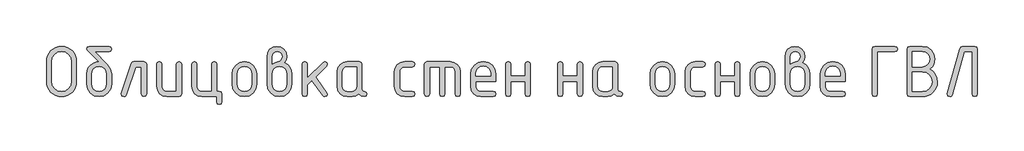
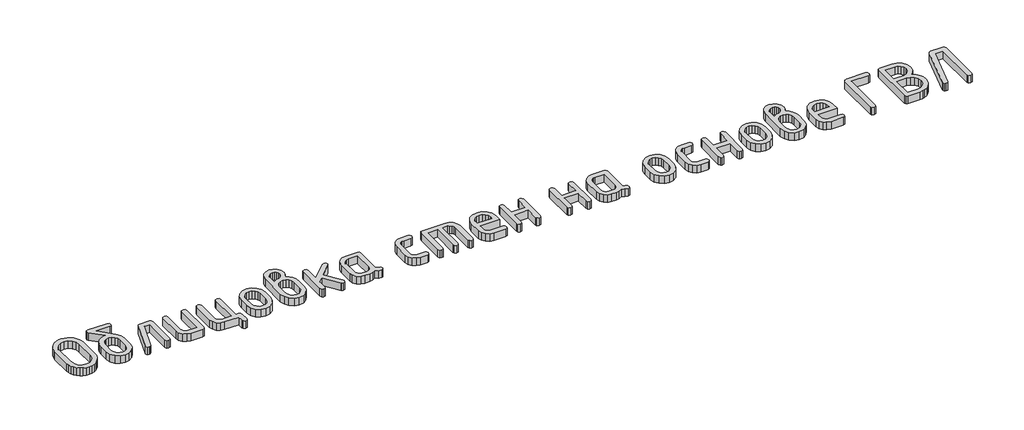
# One storey, part 13 of 33: 1 proxy.
"""IFC4 building model written with IfcOpenShell, lengths in millimetres."""

from ifc_helpers import new_model, si_unit, origin, origin_with_axes, place, context, project, spatial, polyline, outline, extrude, element, save

model = new_model("IFC4")

# Units and contexts
model_context = context("Model", 3, world=origin())
ifc_project = project(units=[si_unit("LENGTHUNIT", "METRE", prefix="MILLI")], contexts=[model_context])

# Site, building, storey
site = spatial("IfcSite", under=ifc_project)
building = spatial("IfcBuilding", under=site)
storey = spatial("IfcBuildingStorey", under=building, Elevation=0.0)

# Proxy
placement = place(None, origin())
element("IfcBuildingElementProxy", 1, Name="Generic Models", at=placement, inside=storey, context=model_context, shape_type="SweptSolid", body=[
    extrude(outline(polyline([(500.788327, -103.7640152), (499.1339311, -121.9976767), (494.1707436, -138.8493124), (485.8987644, -154.3189223), (474.3179935, -168.4065064), (460.3968578, -180.1285062), (445.103784, -188.5013632), (428.4387722, -193.5250774), (410.4018225, -195.1996488), (392.3648727, -193.5250774), (375.6998609, -188.5013632), (360.4067871, -180.1285062), (346.4856514, -168.4065064), (334.9048805, -154.3189223), (326.6329013, -138.8493124), (321.6697138, -121.9976767), (320.0153179, -103.7640152), (320.0153179, 18.0963614), (321.6697138, 36.3300229), (326.6329013, 53.1816586), (334.9048805, 68.6512685), (346.4856514, 82.7388526), (360.4067871, 94.4608524), (375.6998609, 102.8337094), (392.3648727, 107.8574236), (410.4018225, 109.531995), (428.5371281, 107.8649895), (445.2551007, 102.8639728), (460.5557403, 94.528945), (474.4390469, 82.859906), (485.9668569, 68.8101511), (494.201007, 53.3329753), (499.141497, 36.4283788), (500.788327, 18.0963614), (500.788327, -103.7640152)]), holes=[polyline([(469.7986683, -103.5219085), (469.7986683, 17.8542547), (465.4911864, 41.3789566), (452.5687409, 60.9492489), (433.4120475, 74.1440645), (410.4018225, 78.5423363), (387.3915974, 74.1440645), (368.234904, 60.9492489), (355.3124585, 41.3789566), (351.0049766, 17.8542547), (351.0049766, -103.5219085), (355.3124585, -127.0466104), (368.234904, -146.6169026), (387.3915974, -159.8117183), (410.4018225, -164.2099901), (433.4120475, -159.8117183), (452.5687409, -146.6169026), (465.4911864, -127.0466104), (469.7986683, -103.5219085)])]), origin_with_axes(), (0.0, 0.0, 1.0), 50.0),
    extrude(outline(polyline([(712.5509948, -58.3286562), (712.5509948, -119.1781423), (707.0733305, -148.4024396), (690.6403376, -172.9661828), (666.4397546, -189.6412823), (637.6593196, -195.1996488), (608.8788846, -189.6311945), (584.6783015, -172.9258316), (568.2453087, -148.3116496), (562.7676444, -119.0167379), (562.7676444, -58.0865495), (565.3602037, -36.6550619), (573.1378817, -18.2801715), (586.1006784, -2.9618783), (604.2485938, 9.2998177), (619.9653543, 15.8972255), (634.5119324, 18.0963614), (567.9325875, 85.0792175), (562.7676444, 94.0371657), (566.5001228, 105.6582877), (577.6975581, 109.531995), (697.6210811, 109.531995), (708.8185163, 105.6582877), (712.5509948, 94.0371657), (708.8185163, 82.4160437), (697.6210811, 78.5423363), (612.6416264, 78.5423363), (688.017515, -1.8370909), (706.4176248, -29.1144467), (712.5509948, -58.3286562)]), holes=[polyline([(681.5613361, -118.6939289), (681.5613361, -58.0865495), (678.3433344, -40.6548665), (668.6893294, -25.9670595), (654.4958236, -15.9801578), (637.6593196, -12.6511906), (620.8228156, -15.9801578), (606.6293098, -25.9670595), (596.9753048, -40.6548665), (593.7573031, -58.0865495), (593.7573031, -118.6939289), (596.9450414, -136.2870164), (606.5082564, -150.9748234), (620.6714989, -160.9011984), (637.6593196, -164.2099901), (654.4958236, -160.8810229), (668.6893294, -150.8941212), (678.3433344, -136.1861386), (681.5613361, -118.6939289)])]), origin_with_axes(), (0.0, 0.0, 1.0), 50.0),
    extrude(outline(polyline([(847.8886449, 16.563019), (908.8188332, 16.563019), (920.4399552, 12.7901894), (924.3136625, 1.4717008), (924.3136625, -180.1083307), (920.4399552, -191.4268193), (908.8188332, -195.1996488), (897.1977112, -191.4268193), (893.3240038, -180.1083307), (893.3240038, -14.4266397), (858.7027445, -14.4266397), (801.5655613, -184.9504648), (796.2593893, -192.6373528), (787.2812655, -195.1996488), (775.9022502, -191.3662926), (772.1092451, -179.8662239), (772.8355652, -175.2661965), (832.7166245, 4.2155768), (838.6078877, 13.4761584), (847.8886449, 16.563019)])), origin_with_axes(), (0.0, 0.0, 1.0), 50.0),
    extrude(outline(polyline([(1136.0763303, 1.4717008), (1136.0763303, -180.1083307), (1132.3236763, -191.4268193), (1121.0657144, -195.1996488), (1046.1740392, -195.1996488), (1022.9519707, -190.8215525), (1003.6439607, -177.6872636), (990.6307251, -158.177498), (986.2929799, -134.6729717), (986.2929799, 1.4717008), (990.1666873, 12.7901894), (1001.7878093, 16.563019), (1013.4089313, 12.7901894), (1017.2826386, 1.4717008), (1017.2826386, -134.108056), (1019.4414235, -145.5375102), (1025.9177779, -155.292393), (1035.4002907, -161.9805909), (1046.5775504, -164.2099901), (1105.0866716, -164.2099901), (1105.0866716, 1.4717008), (1108.960379, 12.7901894), (1120.581501, 16.563019), (1132.202623, 12.7901894), (1136.0763303, 1.4717008)])), origin_with_axes(), (0.0, 0.0, 1.0), 50.0),
    extrude(outline(polyline([(1363.3338274, -164.2099901), (1374.9549495, -168.0836975), (1378.8286568, -179.7048195), (1378.8286568, -226.1893075), (1374.9549495, -237.8104295), (1363.3338274, -241.6841369), (1351.7127054, -237.8104295), (1347.8389981, -226.1893075), (1347.8389981, -195.1996488), (1257.936707, -195.1996488), (1234.7146385, -190.7912892), (1215.4066285, -177.5662102), (1202.3933929, -158.0261813), (1198.0556477, -134.6729717), (1198.0556477, 1.4717008), (1201.9293551, 12.7901894), (1213.5504771, 16.563019), (1225.1715991, 12.7901894), (1229.0453064, 1.4717008), (1229.0453064, -134.108056), (1231.2040912, -145.5375102), (1237.6804457, -155.292393), (1247.1629584, -161.9805909), (1258.3402182, -164.2099901), (1316.8493394, -164.2099901), (1316.8493394, 1.4717008), (1320.7230467, 12.7901894), (1332.3441687, 16.563019), (1343.9652908, 12.7901894), (1347.8389981, 1.4717008), (1347.8389981, -164.2099901), (1363.3338274, -164.2099901)])), origin_with_axes(), (0.0, 0.0, 1.0), 50.0),
    extrude(outline(polyline([(1440.8079742, -119.5816535), (1440.8079742, -59.0549764), (1446.2856385, -29.9819958), (1462.7186313, -5.5493938), (1486.9192144, 11.0349158), (1515.6996494, 16.563019), (1544.7827178, 11.0954424), (1568.9227742, -5.3072871), (1585.174187, -29.6793624), (1590.5913246, -59.0549764), (1590.5913246, -119.5816535), (1585.1136603, -148.6546341), (1568.6806674, -173.0872361), (1544.4800844, -189.6715456), (1515.6996494, -195.1996488), (1486.9192144, -189.6715456), (1462.7186313, -173.0872361), (1446.2856385, -148.6546341), (1440.8079742, -119.5816535)]), holes=[polyline([(1559.6016659, -118.6939289), (1559.6016659, -58.0865495), (1556.3836642, -40.6548665), (1546.7296592, -25.9670595), (1532.5361534, -15.9801578), (1515.6996494, -12.6511906), (1498.8631454, -15.9801578), (1484.6696396, -25.9670595), (1475.0156346, -40.6548665), (1471.7976329, -58.0865495), (1471.7976329, -118.6939289), (1474.9853712, -136.2870164), (1484.5485862, -150.9748234), (1498.7118287, -160.9011984), (1515.6996494, -164.2099901), (1532.5361534, -160.8810229), (1546.7296592, -150.8941212), (1556.3836642, -136.1861386), (1559.6016659, -118.6939289)])]), origin_with_axes(), (0.0, 0.0, 1.0), 50.0),
    extrude(outline(polyline([(1757.4028468, 11.8822893), (1775.9340978, 0.4931862), (1790.2083058, -16.0810356), (1799.3175707, -36.1658046), (1802.3539923, -58.0865495), (1802.3539923, -119.0167379), (1796.8763281, -148.4629663), (1780.4433352, -173.046885), (1756.2427521, -189.6614579), (1727.4623172, -195.1996488), (1698.5305655, -189.6311945), (1674.3602457, -172.9258316), (1658.0180429, -148.3116496), (1652.570642, -119.0167379), (1652.570642, 48.6018067), (1656.8982994, 72.2072108), (1669.8812716, 91.8582053), (1689.0581405, 105.1135476), (1711.9674878, 109.531995), (1734.9777129, 105.0832843), (1754.1344062, 91.737152), (1767.0568518, 72.0558941), (1771.3643337, 48.6018067), (1767.8739619, 27.8815076), (1757.4028468, 11.8822893)]), holes=[polyline([(1771.3643337, -118.6939289), (1771.3643337, -58.0865495), (1768.1765953, -40.6548665), (1758.6133803, -25.9670595), (1744.4501379, -15.9801578), (1727.4623172, -12.6511906), (1710.4744964, -15.9801578), (1696.311254, -25.9670595), (1686.748039, -40.6548665), (1683.5603007, -58.0865495), (1683.5603007, -118.6939289), (1686.748039, -136.2870164), (1696.311254, -150.9748234), (1710.4744964, -160.9011984), (1727.4623172, -164.2099901), (1744.4501379, -160.8810229), (1758.6133803, -150.8941212), (1768.1765953, -136.1861386), (1771.3643337, -118.6939289)]), polyline([(1683.5603007, 1.7945097), (1702.0411128, 13.1129984), (1718.9078801, 16.8858279), (1727.9868817, 19.5288261), (1736.3395631, 27.4578208), (1742.2106508, 37.3236692), (1744.1676801, 47.2298687), (1741.9887197, 59.0325707), (1735.4518385, 68.7773658), (1725.686868, 75.3142469), (1713.8236392, 77.4932073), (1702.1722539, 75.2839836), (1692.3971955, 68.6563124), (1685.7695244, 58.8812541), (1683.5603007, 47.2298687), (1683.5603007, 1.7945097)])]), origin_with_axes(), (0.0, 0.0, 1.0), 50.0),
    extrude(outline(polyline([(1895.3229684, -82.862136), (1990.5516072, 12.2050982), (2001.3657068, 16.563019), (2012.7447221, 12.7901894), (2016.5377272, 1.4717008), (2011.9376997, -9.1002922), (1945.3583549, -75.5989348), (2013.5517445, -171.3924891), (2016.5377272, -180.2697351), (2012.7447221, -191.4671704), (2001.3657068, -195.1996488), (1994.2235589, -193.5856041), (1988.776158, -188.7434699), (1923.5687511, -97.1464318), (1895.3229684, -125.3922145), (1895.3229684, -180.0276284), (1891.4492611, -191.4066437), (1879.8281391, -195.1996488), (1868.2070171, -191.4268193), (1864.3333097, -180.1083307), (1864.3333097, 1.4717008), (1868.2070171, 12.7901894), (1879.8281391, 16.563019), (1891.4492611, 12.7901894), (1895.3229684, 1.4717008), (1895.3229684, -82.862136)])), origin_with_axes(), (0.0, 0.0, 1.0), 50.0),
    extrude(outline(polyline([(2256.1426665, -180.1083307), (2252.3698369, -191.4268193), (2241.0513483, -195.1996488), (2221.9047428, -191.1847126), (2206.5914935, -179.1399038), (2188.171208, -191.1847126), (2165.9982686, -195.1996488), (2135.9770368, -195.1996488), (2112.7549683, -190.8215525), (2093.4469583, -177.6872636), (2080.4337227, -158.177498), (2076.0959775, -134.6729717), (2076.0959775, -43.9636582), (2080.4337227, -20.4591319), (2093.4469583, -0.9493663), (2112.7549683, 12.1849226), (2135.9770368, 16.563019), (2210.868712, 16.563019), (2222.1266739, 12.7901894), (2225.8793279, 1.4717008), (2225.8793279, -149.8449921), (2229.6622452, -161.1634807), (2241.0109972, -164.9363103), (2252.3597492, -168.7293154), (2256.1426665, -180.1083307)]), holes=[polyline([(2194.8896692, -14.4266397), (2136.380548, -14.4266397), (2125.1024105, -16.6156879), (2115.6400733, -23.1828324), (2109.2242455, -32.8570129), (2107.0856362, -44.3671694), (2107.0856362, -134.2694605), (2109.244421, -145.6787391), (2115.7207755, -155.3730953), (2125.2032882, -162.0007664), (2136.380548, -164.2099901), (2165.5947575, -164.2099901), (2176.872895, -162.020942), (2186.3352322, -155.4537975), (2192.7510599, -145.7796169), (2194.8896692, -134.2694605), (2194.8896692, -14.4266397)])]), origin_with_axes(), (0.0, 0.0, 1.0), 50.0),
    extrude(outline(polyline([(2453.136825, -44.3671694), (2453.136825, -134.2694605), (2455.3763121, -145.6787391), (2462.0947732, -155.3730953), (2471.9000949, -162.0007664), (2483.4001636, -164.2099901), (2528.9162248, -164.2099901), (2540.2347134, -168.0836975), (2544.007543, -179.7048195), (2540.2347134, -191.3259415), (2528.9162248, -195.1996488), (2483.4001636, -195.1996488), (2459.8552862, -190.8215525), (2440.0630628, -177.6872636), (2426.6261404, -158.177498), (2422.1471663, -134.6729717), (2422.1471663, -43.9636582), (2426.6261404, -20.4591319), (2440.0630628, -0.9493663), (2459.8552862, 12.1849226), (2483.4001636, 16.563019), (2528.9162248, 16.563019), (2540.2347134, 12.6893116), (2544.007543, 1.0681896), (2540.2347134, -10.5529324), (2528.9162248, -14.4266397), (2483.4001636, -14.4266397), (2471.7487783, -16.6156879), (2461.9737199, -23.1828324), (2455.3460487, -32.8570129), (2453.136825, -44.3671694)])), origin_with_axes(), (0.0, 0.0, 1.0), 50.0),
    extrude(outline(polyline([(2618.4150048, 16.563019), (2757.8684689, 16.563019), (2781.7563308, 12.1546593), (2801.7704854, -1.0704197), (2815.3284611, -20.6104486), (2819.8477863, -43.9636582), (2819.8477863, -180.1083307), (2815.974079, -191.4268193), (2804.352957, -195.1996488), (2792.7318349, -191.4268193), (2788.8581276, -180.1083307), (2788.8581276, -44.5285738), (2786.6287283, -32.7964863), (2779.9405305, -23.1021301), (2769.9637166, -16.5955123), (2757.8684689, -14.4266397), (2726.8788102, -14.4266397), (2726.8788102, -180.1083307), (2723.0051029, -191.4268193), (2711.3839809, -195.1996488), (2699.7628588, -191.4268193), (2695.8891515, -180.1083307), (2695.8891515, -14.4266397), (2633.9098341, -14.4266397), (2633.9098341, -180.1083307), (2630.0361268, -191.4268193), (2618.4150048, -195.1996488), (2606.7938827, -191.4268193), (2602.9201754, -180.1083307), (2602.9201754, 1.4717008), (2606.7938827, 12.7901894), (2618.4150048, 16.563019)])), origin_with_axes(), (0.0, 0.0, 1.0), 50.0),
    extrude(outline(polyline([(2912.8167624, -102.2306727), (2912.8167624, -133.2203314), (2915.0562495, -145.0129457), (2921.7747106, -155.0502863), (2931.5800323, -161.9200642), (2943.080101, -164.2099901), (3018.8595008, -164.2099901), (3030.2385161, -168.0836975), (3034.0315212, -179.7048195), (3030.2385161, -191.3259415), (3018.8595008, -195.1996488), (2943.080101, -195.1996488), (2919.5352236, -190.8215525), (2899.7430001, -177.6872636), (2886.3060778, -158.177498), (2881.8271037, -134.6729717), (2881.8271037, -59.0549764), (2887.4459969, -29.9819958), (2904.3026765, -5.5493938), (2929.0278241, 11.0349158), (2958.2521214, 16.563019), (2987.6983498, 11.1963202), (3012.120864, -4.9037759), (3028.5538569, -28.8319889), (3034.0315212, -57.6830383), (3034.0315212, -102.2306727), (2912.8167624, -102.2306727)]), holes=[polyline([(2958.2521214, -10.6336346), (2940.8204384, -13.9626019), (2926.1326314, -23.9495036), (2916.1457296, -38.6373106), (2912.8167624, -56.0689936), (2912.8167624, -71.241014), (3003.6874804, -71.241014), (3003.6874804, -56.0689936), (3000.3585131, -38.6373106), (2990.3716114, -23.9495036), (2975.6838044, -13.9626019), (2958.2521214, -10.6336346)])]), origin_with_axes(), (0.0, 0.0, 1.0), 50.0),
    extrude(outline(polyline([(3124.5794302, -102.2306727), (3124.5794302, -179.7048195), (3120.7057228, -191.3259415), (3109.0846008, -195.1996488), (3097.4634788, -191.4268193), (3093.5897715, -180.1083307), (3093.5897715, 1.4717008), (3097.4634788, 12.7901894), (3109.0846008, 16.563019), (3120.7057228, 12.9112428), (3124.5794302, 1.9559142), (3124.5794302, -71.241014), (3212.3834632, -71.241014), (3212.3834632, 1.9559142), (3216.2571705, 12.9112428), (3227.8782925, 16.563019), (3239.4994145, 12.7901894), (3243.3731219, 1.4717008), (3243.3731219, -180.1083307), (3239.4994145, -191.4268193), (3227.8782925, -195.1996488), (3216.2571705, -191.3259415), (3212.3834632, -179.7048195), (3212.3834632, -102.2306727), (3124.5794302, -102.2306727)])), origin_with_axes(), (0.0, 0.0, 1.0), 50.0),
    extrude(outline(polyline([(3439.6409603, -102.2306727), (3439.6409603, -179.7048195), (3435.7672529, -191.3259415), (3424.1461309, -195.1996488), (3412.5250089, -191.4268193), (3408.6513016, -180.1083307), (3408.6513016, 1.4717008), (3412.5250089, 12.7901894), (3424.1461309, 16.563019), (3435.7672529, 12.9112428), (3439.6409603, 1.9559142), (3439.6409603, -71.241014), (3527.4449933, -71.241014), (3527.4449933, 1.9559142), (3531.3187006, 12.9112428), (3542.9398226, 16.563019), (3554.5609446, 12.7901894), (3558.434652, 1.4717008), (3558.434652, -180.1083307), (3554.5609446, -191.4268193), (3542.9398226, -195.1996488), (3531.3187006, -191.3259415), (3527.4449933, -179.7048195), (3527.4449933, -102.2306727), (3439.6409603, -102.2306727)])), origin_with_axes(), (0.0, 0.0, 1.0), 50.0),
    extrude(outline(polyline([(3800.4606583, -180.1083307), (3796.6878288, -191.4268193), (3785.3693401, -195.1996488), (3766.2227346, -191.1847126), (3750.9094853, -179.1399038), (3732.4891999, -191.1847126), (3710.3162605, -195.1996488), (3680.2950286, -195.1996488), (3657.0729601, -190.8215525), (3637.7649501, -177.6872636), (3624.7517146, -158.177498), (3620.4139694, -134.6729717), (3620.4139694, -43.9636582), (3624.7517146, -20.4591319), (3637.7649501, -0.9493663), (3657.0729601, 12.1849226), (3680.2950286, 16.563019), (3755.1867038, 16.563019), (3766.4446658, 12.7901894), (3770.1973197, 1.4717008), (3770.1973197, -149.8449921), (3773.9802371, -161.1634807), (3785.328989, -164.9363103), (3796.677741, -168.7293154), (3800.4606583, -180.1083307)]), holes=[polyline([(3739.207661, -14.4266397), (3680.6985398, -14.4266397), (3669.4204023, -16.6156879), (3659.9580651, -23.1828324), (3653.5422373, -32.8570129), (3651.4036281, -44.3671694), (3651.4036281, -134.2694605), (3653.5624129, -145.6787391), (3660.0387673, -155.3730953), (3669.5212801, -162.0007664), (3680.6985398, -164.2099901), (3709.9127493, -164.2099901), (3721.1908868, -162.020942), (3730.653224, -155.4537975), (3737.0690518, -145.7796169), (3739.207661, -134.2694605), (3739.207661, -14.4266397)])]), origin_with_axes(), (0.0, 0.0, 1.0), 50.0),
    extrude(outline(polyline([(3966.4651582, -119.5816535), (3966.4651582, -59.0549764), (3971.9428224, -29.9819958), (3988.3758153, -5.5493938), (4012.5763984, 11.0349158), (4041.3568334, 16.563019), (4070.4399017, 11.0954424), (4094.5799581, -5.3072871), (4110.8313709, -29.6793624), (4116.2485085, -59.0549764), (4116.2485085, -119.5816535), (4110.7708443, -148.6546341), (4094.3378514, -173.0872361), (4070.1372683, -189.6715456), (4041.3568334, -195.1996488), (4012.5763984, -189.6715456), (3988.3758153, -173.0872361), (3971.9428224, -148.6546341), (3966.4651582, -119.5816535)]), holes=[polyline([(4085.2588498, -118.6939289), (4085.2588498, -58.0865495), (4082.0408482, -40.6548665), (4072.3868432, -25.9670595), (4058.1933374, -15.9801578), (4041.3568334, -12.6511906), (4024.5203293, -15.9801578), (4010.3268235, -25.9670595), (4000.6728185, -40.6548665), (3997.4548169, -58.0865495), (3997.4548169, -118.6939289), (4000.6425552, -136.2870164), (4010.2057702, -150.9748234), (4024.3690126, -160.9011984), (4041.3568334, -164.2099901), (4058.1933374, -160.8810229), (4072.3868432, -150.8941212), (4082.0408482, -136.1861386), (4085.2588498, -118.6939289)])]), origin_with_axes(), (0.0, 0.0, 1.0), 50.0),
    extrude(outline(polyline([(4209.2174846, -44.3671694), (4209.2174846, -134.2694605), (4211.4569717, -145.6787391), (4218.1754329, -155.3730953), (4227.9807546, -162.0007664), (4239.4808232, -164.2099901), (4284.9968844, -164.2099901), (4296.3153731, -168.0836975), (4300.0882026, -179.7048195), (4296.3153731, -191.3259415), (4284.9968844, -195.1996488), (4239.4808232, -195.1996488), (4215.9359458, -190.8215525), (4196.1437224, -177.6872636), (4182.7068, -158.177498), (4178.2278259, -134.6729717), (4178.2278259, -43.9636582), (4182.7068, -20.4591319), (4196.1437224, -0.9493663), (4215.9359458, 12.1849226), (4239.4808232, 16.563019), (4284.9968844, 16.563019), (4296.3153731, 12.6893116), (4300.0882026, 1.0681896), (4296.3153731, -10.5529324), (4284.9968844, -14.4266397), (4239.4808232, -14.4266397), (4227.8294379, -16.6156879), (4218.0543795, -23.1828324), (4211.4267084, -32.8570129), (4209.2174846, -44.3671694)])), origin_with_axes(), (0.0, 0.0, 1.0), 50.0),
    extrude(outline(polyline([(4389.9904937, -102.2306727), (4389.9904937, -179.7048195), (4386.1167864, -191.3259415), (4374.4956644, -195.1996488), (4362.8745424, -191.4268193), (4359.000835, -180.1083307), (4359.000835, 1.4717008), (4362.8745424, 12.7901894), (4374.4956644, 16.563019), (4386.1167864, 12.9112428), (4389.9904937, 1.9559142), (4389.9904937, -71.241014), (4477.7945267, -71.241014), (4477.7945267, 1.9559142), (4481.668234, 12.9112428), (4493.289356, 16.563019), (4504.9104781, 12.7901894), (4508.7841854, 1.4717008), (4508.7841854, -180.1083307), (4504.9104781, -191.4268193), (4493.289356, -195.1996488), (4481.668234, -191.3259415), (4477.7945267, -179.7048195), (4477.7945267, -102.2306727), (4389.9904937, -102.2306727)])), origin_with_axes(), (0.0, 0.0, 1.0), 50.0),
    extrude(outline(polyline([(4570.7635028, -119.5816535), (4570.7635028, -59.0549764), (4576.2411671, -29.9819958), (4592.6741599, -5.5493938), (4616.874743, 11.0349158), (4645.655178, 16.563019), (4674.7382464, 11.0954424), (4698.8783028, -5.3072871), (4715.1297156, -29.6793624), (4720.5468532, -59.0549764), (4720.5468532, -119.5816535), (4715.0691889, -148.6546341), (4698.636196, -173.0872361), (4674.435613, -189.6715456), (4645.655178, -195.1996488), (4616.874743, -189.6715456), (4592.6741599, -173.0872361), (4576.2411671, -148.6546341), (4570.7635028, -119.5816535)]), holes=[polyline([(4689.5571945, -118.6939289), (4689.5571945, -58.0865495), (4686.3391928, -40.6548665), (4676.6851878, -25.9670595), (4662.491682, -15.9801578), (4645.655178, -12.6511906), (4628.818674, -15.9801578), (4614.6251682, -25.9670595), (4604.9711632, -40.6548665), (4601.7531615, -58.0865495), (4601.7531615, -118.6939289), (4604.9408998, -136.2870164), (4614.5041148, -150.9748234), (4628.6673573, -160.9011984), (4645.655178, -164.2099901), (4662.491682, -160.8810229), (4676.6851878, -150.8941212), (4686.3391928, -136.1861386), (4689.5571945, -118.6939289)])]), origin_with_axes(), (0.0, 0.0, 1.0), 50.0),
    extrude(outline(polyline([(4887.3583754, 11.8822893), (4905.8896264, 0.4931862), (4920.1638344, -16.0810356), (4929.2730993, -36.1658046), (4932.3095209, -58.0865495), (4932.3095209, -119.0167379), (4926.8318567, -148.4629663), (4910.3988638, -173.046885), (4886.1982807, -189.6614579), (4857.4178458, -195.1996488), (4828.4860941, -189.6311945), (4804.3157743, -172.9258316), (4787.9735715, -148.3116496), (4782.5261706, -119.0167379), (4782.5261706, 48.6018067), (4786.853828, 72.2072108), (4799.8368002, 91.8582053), (4819.0136691, 105.1135476), (4841.9230164, 109.531995), (4864.9332415, 105.0832843), (4884.0899348, 91.737152), (4897.0123804, 72.0558941), (4901.3198623, 48.6018067), (4897.8294905, 27.8815076), (4887.3583754, 11.8822893)]), holes=[polyline([(4813.5158293, 1.7945097), (4831.9966414, 13.1129984), (4848.8634087, 16.8858279), (4857.9424103, 19.5288261), (4866.2950917, 27.4578208), (4872.1661794, 37.3236692), (4874.1232087, 47.2298687), (4871.9442483, 59.0325707), (4865.4073671, 68.7773658), (4855.6423966, 75.3142469), (4843.7791678, 77.4932073), (4832.1277825, 75.2839836), (4822.3527241, 68.6563124), (4815.725053, 58.8812541), (4813.5158293, 47.2298687), (4813.5158293, 1.7945097)]), polyline([(4901.3198623, -118.6939289), (4901.3198623, -58.0865495), (4898.1321239, -40.6548665), (4888.5689089, -25.9670595), (4874.4056665, -15.9801578), (4857.4178458, -12.6511906), (4840.430025, -15.9801578), (4826.2667826, -25.9670595), (4816.7035676, -40.6548665), (4813.5158293, -58.0865495), (4813.5158293, -118.6939289), (4816.7035676, -136.2870164), (4826.2667826, -150.9748234), (4840.430025, -160.9011984), (4857.4178458, -164.2099901), (4874.4056665, -160.8810229), (4888.5689089, -150.8941212), (4898.1321239, -136.1861386), (4901.3198623, -118.6939289)])]), origin_with_axes(), (0.0, 0.0, 1.0), 50.0),
    extrude(outline(polyline([(5025.278497, -102.2306727), (5025.278497, -133.2203314), (5027.5179841, -145.0129457), (5034.2364453, -155.0502863), (5044.041767, -161.9200642), (5055.5418356, -164.2099901), (5131.3212354, -164.2099901), (5142.7002507, -168.0836975), (5146.4932558, -179.7048195), (5142.7002507, -191.3259415), (5131.3212354, -195.1996488), (5055.5418356, -195.1996488), (5031.9969582, -190.8215525), (5012.2047348, -177.6872636), (4998.7678125, -158.177498), (4994.2888383, -134.6729717), (4994.2888383, -59.0549764), (4999.9077315, -29.9819958), (5016.7644111, -5.5493938), (5041.4895587, 11.0349158), (5070.713856, 16.563019), (5100.1600845, 11.1963202), (5124.5825987, -4.9037759), (5141.0155915, -28.8319889), (5146.4932558, -57.6830383), (5146.4932558, -102.2306727), (5025.278497, -102.2306727)]), holes=[polyline([(5070.713856, -10.6336346), (5053.282173, -13.9626019), (5038.594366, -23.9495036), (5028.6074643, -38.6373106), (5025.278497, -56.0689936), (5025.278497, -71.241014), (5116.149215, -71.241014), (5116.149215, -56.0689936), (5112.8202478, -38.6373106), (5102.833346, -23.9495036), (5088.145539, -13.9626019), (5070.713856, -10.6336346)])]), origin_with_axes(), (0.0, 0.0, 1.0), 50.0),
    extrude(outline(polyline([(5340.3400272, 78.5423363), (5340.3400272, -180.0276284), (5336.4663198, -191.4066437), (5324.8451978, -195.1996488), (5313.2240758, -191.3864682), (5309.3503685, -179.9469262), (5309.3503685, 94.2792724), (5313.2240758, 105.7188144), (5324.8451978, 109.531995), (5446.3827655, 109.531995), (5457.7617808, 105.6582877), (5461.5547859, 94.0371657), (5457.7617808, 82.4160437), (5446.3827655, 78.5423363), (5340.3400272, 78.5423363)])), origin_with_axes(), (0.0, 0.0, 1.0), 50.0),
    extrude(outline(polyline([(5657.7419221, -28.3074244), (5677.054976, -42.6673785), (5690.8500145, -60.2453343), (5699.1270376, -81.0412918), (5701.8860453, -105.055251), (5700.2316495, -123.0190644), (5695.2684619, -139.6260714), (5686.9964827, -154.8762721), (5675.4157118, -168.7696665), (5661.4945761, -180.3327838), (5646.2015023, -188.5921532), (5629.5364906, -193.5477749), (5611.4995408, -195.1996488), (5536.2043544, -195.1996488), (5524.8858658, -191.3864682), (5521.1130362, -179.9469262), (5521.1130362, 94.2792724), (5524.8656902, 105.7188144), (5536.1236522, 109.531995), (5611.2574341, 109.531995), (5640.4212047, 103.9231896), (5664.6419633, 87.0967734), (5680.9539028, 62.1194313), (5686.391216, 32.0578483), (5684.6006351, 14.363883), (5679.2288925, -1.5949842), (5670.2759882, -15.8187533), (5657.7419221, -28.3074244)]), holes=[polyline([(5552.1026949, -45.4162984), (5552.1026949, -164.2099901), (5611.4995408, -164.2099901), (5634.5097659, -159.9025083), (5653.6664592, -146.9800627), (5666.5889048, -127.8233694), (5670.8963866, -104.8131443), (5666.5889048, -81.8029192), (5653.6664592, -62.6462259), (5634.5097659, -49.7237803), (5611.4995408, -45.4162984), (5552.1026949, -45.4162984)]), polyline([(5552.1026949, 78.5423363), (5552.1026949, -14.4266397), (5611.0960296, -14.4266397), (5628.1342892, -11.027058), (5642.4488483, -0.8283129), (5652.16338, 14.1923908), (5655.4015573, 32.0578483), (5652.16338, 49.9233058), (5642.4488483, 64.9440096), (5628.1342892, 75.1427547), (5611.0960296, 78.5423363), (5552.1026949, 78.5423363)])]), origin_with_axes(), (0.0, 0.0, 1.0), 50.0),
    extrude(outline(polyline([(5852.5571203, 109.531995), (5929.1435424, 109.531995), (5940.7646644, 105.7188144), (5944.6383718, 94.2792724), (5944.6383718, -179.9469262), (5940.7646644, -191.3864682), (5929.1435424, -195.1996488), (5917.5224204, -191.4066437), (5913.6487131, -180.0276284), (5913.6487131, 78.5423363), (5864.5010512, 78.5423363), (5791.7076342, -184.6276559), (5786.6032178, -192.5566506), (5777.2619339, -195.1996488), (5765.8829186, -191.3864682), (5762.0899135, -179.9469262), (5763.3004471, -174.4591741), (5837.3850999, 94.2792724), (5843.2763631, 105.7188144), (5852.5571203, 109.531995)])), origin_with_axes(), (0.0, 0.0, 1.0), 50.0),
])

save(model, "model.ifc")
